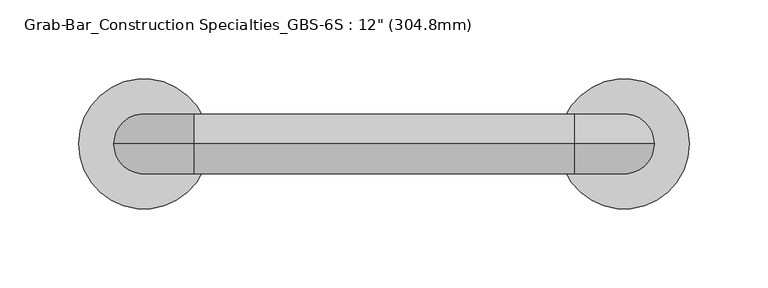
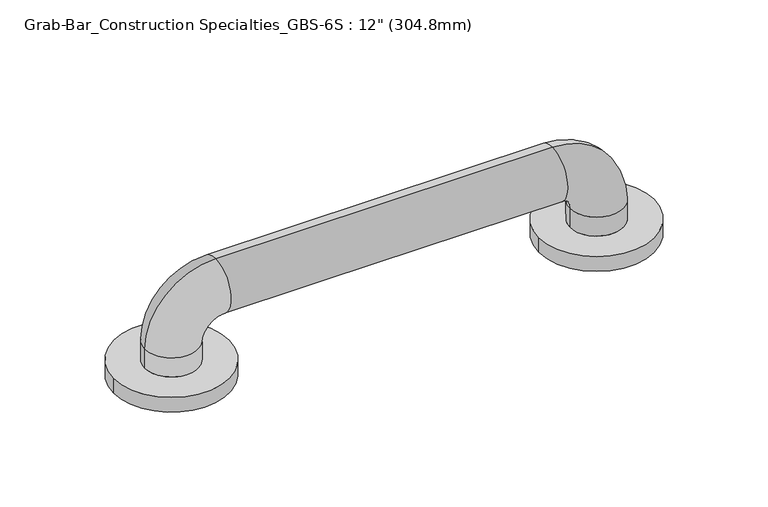
"""IFC4 building model written with IfcOpenShell, lengths in millimetres: proxy geometry."""

from ifc_helpers import new_model, si_unit, point, frame, origin, origin_with_axes, place, context, project, spatial, circle_curve, ellipse_curve, trimmed, source, transform, mapped, element, save
from ifc_brep_helpers import plane_surface, cylinder_surface, revolved_surface, advanced_brep


def proxy_8b4d19d9(model_context):
    return source(origin(), model_context, "Body", "AdvancedBrep", [
        advanced_brep(
        [(-41.3010856, 0.0, 0.0), (41.3010856, 0.0, 0.0), (263.4989144, 0.0, 0.0), (346.1010856, 0.0, 0.0), (19.05, 0.0, 25.4), (-19.05, 0.0, 25.4), (-19.05, 0.0, 11.1125), (19.05, 0.0, 11.1125), (31.75, 0.0, 38.1), (31.75, 0.0, 76.2), (273.05, 0.0, 38.1), (273.05, 0.0, 76.2), (285.75, 0.0, 25.4), (323.85, 0.0, 25.4), (285.75, 0.0, 11.1125), (323.85, 0.0, 11.1125), (-41.3010856, 0.0, 11.1125), (41.3010856, 0.0, 11.1125), (263.4989144, 0.0, 11.1125), (346.1010856, 0.0, 11.1125)],
        [
            (0, 1, circle_curve(frame((0.0, 0.0, 0.0), z_axis=(0.0, 0.0, -1.0), x_axis=(1.0, 0.0, 0.0)), 41.3010856)),
            (1, 0, circle_curve(frame((0.0, 0.0, 0.0), z_axis=(0.0, 0.0, -1.0), x_axis=(1.0, 0.0, 0.0)), 41.3010856)),
            (2, 3, circle_curve(frame((304.8, 0.0, 0.0), z_axis=(0.0, 0.0, -1.0), x_axis=(1.0, 0.0, 0.0)), 41.3010856)),
            (3, 2, circle_curve(frame((304.8, 0.0, 0.0), z_axis=(0.0, 0.0, -1.0), x_axis=(1.0, 0.0, 0.0)), 41.3010856)),
            (4, 5, circle_curve(frame((0.0, 0.0, 25.4), z_axis=(0.0, 0.0, -1.0), x_axis=(-1.0, 0.0, 0.0)), 19.05)),
            (5, 6),
            (6, 7, circle_curve(frame((0.0, 0.0, 11.1125), z_axis=(0.0, 0.0, 1.0), x_axis=(-1.0, 0.0, 0.0)), 19.05)),
            (7, 4),
            (5, 4, circle_curve(frame((0.0, 0.0, 25.4), z_axis=(0.0, 0.0, -1.0), x_axis=(-1.0, 0.0, 0.0)), 19.05)),
            (7, 6, circle_curve(frame((0.0, 0.0, 11.1125), z_axis=(0.0, 0.0, 1.0), x_axis=(-1.0, 0.0, 0.0)), 19.05)),
            (4, 8, circle_curve(frame((31.75, 0.0, 25.4), z_axis=(0.0, 1.0, 0.0), x_axis=(-1.0, 0.0, 0.0)), 12.7)),
            (8, 9, circle_curve(frame((31.75, 0.0, 57.15), z_axis=(-1.0, 0.0, 0.0), x_axis=(0.0, 0.0, 1.0)), 19.05)),
            (9, 5, circle_curve(frame((31.75, 0.0, 25.4), z_axis=(0.0, -1.0, 0.0), x_axis=(-1.0, 0.0, 0.0)), 50.8)),
            (9, 8, circle_curve(frame((31.75, 0.0, 57.15), z_axis=(-1.0, 0.0, 0.0), x_axis=(0.0, 0.0, 1.0)), 19.05)),
            (8, 10),
            (10, 11, circle_curve(frame((273.05, 0.0, 57.15), z_axis=(-1.0, 0.0, 0.0), x_axis=(0.0, 0.0, 1.0)), 19.05)),
            (11, 9),
            (11, 10, circle_curve(frame((273.05, 0.0, 57.15), z_axis=(-1.0, 0.0, 0.0), x_axis=(0.0, 0.0, 1.0)), 19.05)),
            (10, 12, circle_curve(frame((273.05, 0.0, 25.4), z_axis=(0.0, 1.0, 0.0), x_axis=(0.0, 0.0, 1.0)), 12.7)),
            (12, 13, circle_curve(frame((304.8, 0.0, 25.4), z_axis=(0.0, 0.0, 1.0), x_axis=(1.0, 0.0, 0.0)), 19.05)),
            (13, 11, circle_curve(frame((273.05, 0.0, 25.4), z_axis=(0.0, -1.0, 0.0), x_axis=(0.0, 0.0, 1.0)), 50.8)),
            (13, 12, circle_curve(frame((304.8, 0.0, 25.4), z_axis=(0.0, 0.0, 1.0), x_axis=(1.0, 0.0, 0.0)), 19.05)),
            (12, 14),
            (14, 15, circle_curve(frame((304.8, 0.0, 11.1125), z_axis=(0.0, 0.0, 1.0), x_axis=(1.0, 0.0, 0.0)), 19.05)),
            (15, 13),
            (15, 14, circle_curve(frame((304.8, 0.0, 11.1125), z_axis=(0.0, 0.0, 1.0), x_axis=(1.0, 0.0, 0.0)), 19.05)),
            (16, 17, circle_curve(frame((0.0, 0.0, 11.1125), z_axis=(0.0, 0.0, 1.0), x_axis=(1.0, 0.0, 0.0)), 41.3010856)),
            (17, 16, circle_curve(frame((0.0, 0.0, 11.1125), z_axis=(0.0, 0.0, 1.0), x_axis=(1.0, 0.0, 0.0)), 41.3010856)),
            (18, 19, circle_curve(frame((304.8, 0.0, 11.1125), z_axis=(0.0, 0.0, 1.0), x_axis=(1.0, 0.0, 0.0)), 41.3010856)),
            (19, 18, circle_curve(frame((304.8, 0.0, 11.1125), z_axis=(0.0, 0.0, 1.0), x_axis=(1.0, 0.0, 0.0)), 41.3010856)),
            (16, 0),
            (1, 17),
            (18, 2),
            (3, 19),
        ],
        [
            plane_surface(frame((0.0, 0.0, 0.0), z_axis=(0.0, 0.0, -1.0), x_axis=(0.0, -1.0, 0.0))),
            cylinder_surface(frame((0.0, 0.0, 0.0), z_axis=(0.0, 0.0, -1.0), x_axis=(-1.0, 0.0, 0.0)), 19.05),
            revolved_surface(trimmed(ellipse_curve(frame((0.0, 0.0, 25.4), z_axis=(0.0, 0.0, -1.0), x_axis=(-1.0, 0.0, 0.0)), 19.05, 19.05), [point((19.05, 0.0, 25.4))], [point((-19.05, 0.0, 25.4))], True, "CARTESIAN"), (31.75, 0.0, 25.4), (0.0, 1.0, 0.0)),
            revolved_surface(trimmed(ellipse_curve(frame((0.0, 0.0, 25.4), z_axis=(0.0, 0.0, -1.0), x_axis=(-1.0, 0.0, 0.0)), 19.05, 19.05), [point((-19.05, 0.0, 25.4))], [point((19.05, 0.0, 25.4))], True, "CARTESIAN"), (31.75, 0.0, 25.4), (0.0, 1.0, 0.0)),
            cylinder_surface(frame((31.75, 0.0, 57.15), z_axis=(-1.0, 0.0, 0.0), x_axis=(0.0, 0.0, 1.0)), 19.05),
            revolved_surface(trimmed(ellipse_curve(frame((273.05, 0.0, 57.15), z_axis=(-1.0, 0.0, 0.0), x_axis=(0.0, 0.0, 1.0)), 19.05, 19.05), [point((273.05, 0.0, 38.1))], [point((273.05, 0.0, 76.2))], True, "CARTESIAN"), (273.05, 0.0, 25.4), (0.0, 1.0, 0.0)),
            revolved_surface(trimmed(ellipse_curve(frame((273.05, 0.0, 57.15), z_axis=(-1.0, 0.0, 0.0), x_axis=(0.0, 0.0, 1.0)), 19.05, 19.05), [point((273.05, 0.0, 76.2))], [point((273.05, 0.0, 38.1))], True, "CARTESIAN"), (273.05, 0.0, 25.4), (0.0, 1.0, 0.0)),
            cylinder_surface(frame((304.8, 0.0, 25.4), z_axis=(0.0, 0.0, 1.0), x_axis=(1.0, 0.0, 0.0)), 19.05),
            plane_surface(frame((41.3010856, 0.0, 11.1125), z_axis=(0.0, 0.0, 1.0), x_axis=(0.0, 1.0, 0.0))),
            cylinder_surface(origin_with_axes(), 41.3010856),
            cylinder_surface(frame((304.8, 0.0, 0.0), z_axis=(0.0, 0.0, 1.0), x_axis=(1.0, 0.0, 0.0)), 41.3010856),
        ],
        [
            (0, [[1, 2]]),
            (0, [[3, 4]]),
            (1, [[5, 6, 7, 8]]),
            (1, [[9, -8, 10, -6]]),
            (2, [[-5, 11, 12, 13]]),
            (3, [[-9, -13, 14, -11]]),
            (4, [[-12, 15, 16, 17]]),
            (4, [[-14, -17, 18, -15]]),
            (5, [[-16, 19, 20, 21]]),
            (6, [[-18, -21, 22, -19]]),
            (7, [[-20, 23, 24, 25]]),
            (7, [[-22, -25, 26, -23]]),
            (8, [[27, 28], [-7, -10]]),
            (8, [[29, 30], [-24, -26]]),
            (9, [[-27, 31, -2, 32]]),
            (9, [[-28, -32, -1, -31]]),
            (10, [[-29, 33, -4, 34]]),
            (10, [[-30, -34, -3, -33]]),
        ],
    ),
    ])


if __name__ == "__main__":
    model = new_model("IFC4")
    model_context = context("Model", 3, world=origin())
    ifc_project = project(units=[si_unit("LENGTHUNIT", "METRE", prefix="MILLI")], contexts=[model_context])
    site = spatial("IfcSite", under=ifc_project)
    building = spatial("IfcBuilding", under=site)
    placement = place(None, origin())
    proxy_shape = proxy_8b4d19d9(model_context)
    element("IfcBuildingElementProxy", 1, Name="Grab-Bar_Construction Specialties_GBS-6S : 12\" (304.8mm)", ObjectType="Grab-Bar_Construction Specialties_GBS-6S : 12\" (304.8mm)", at=placement, inside=building, context=model_context, shape_type="MappedRepresentation", body=[
        mapped(proxy_shape, transform((0.0, 0.0, 0.0), x_axis=(1.0, 0.0, 0.0), y_axis=(0.0, 1.0, 0.0), z_axis=(0.0, 0.0, 1.0))),
    ])
    save(model, "model.ifc")
